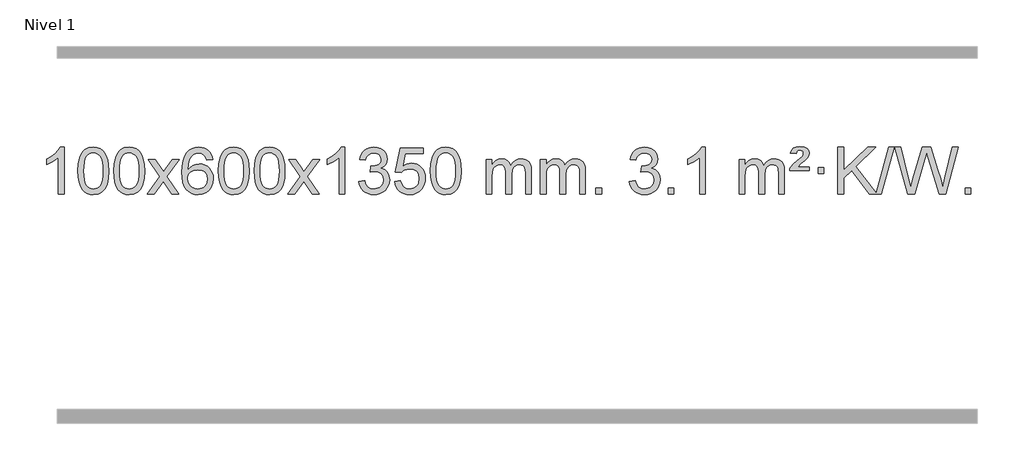
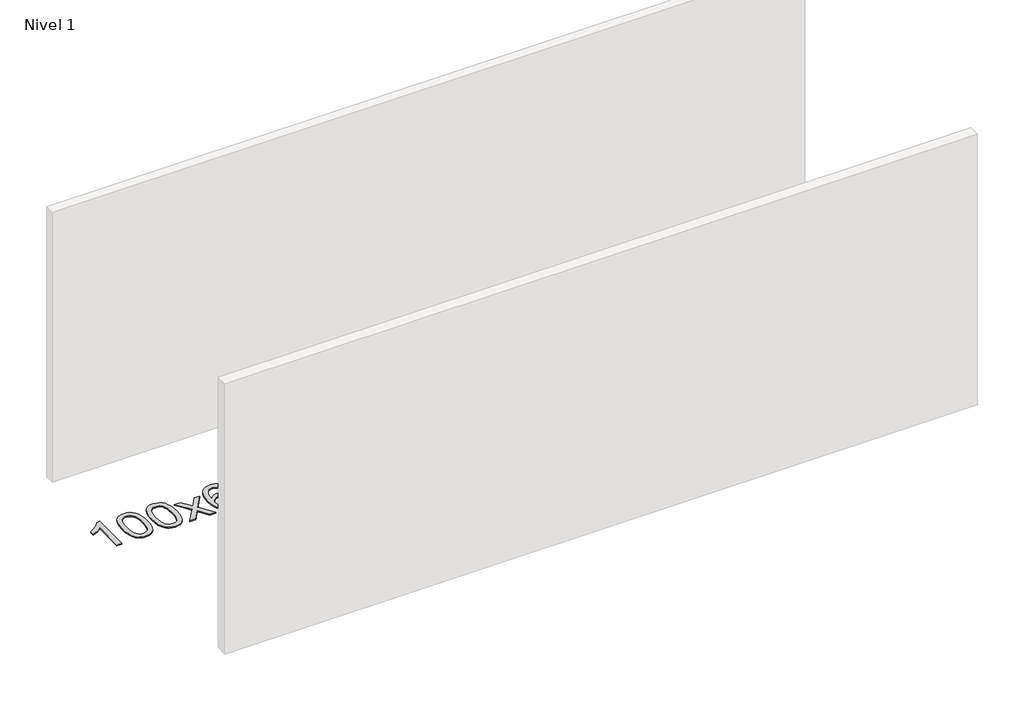
# One storey, part 4 of 9: 1 proxy.
"""IFC4 building model written with IfcOpenShell, lengths in millimetres."""

from ifc_helpers import new_model, si_unit, origin, origin_with_axes, place, context, project, spatial, polyline, outline, extrude, element, save

model = new_model("IFC4")

# Units and contexts
model_context = context("Model", 3, world=origin())
ifc_project = project(units=[si_unit("LENGTHUNIT", "METRE", prefix="MILLI")], contexts=[model_context])

# Site, building, storey
site = spatial("IfcSite", under=ifc_project)
building = spatial("IfcBuilding", under=site)
storey = spatial("IfcBuildingStorey", under=building, Name="Nivel 1", Elevation=0.0)

# Proxy
placement = place(None, origin())
element("IfcBuildingElementProxy", 1, Name="Texto de modelo 1", ObjectType="Texto de modelo 1", at=placement, inside=storey, context=model_context, shape_type="SweptSolid", body=[
    extrude(outline(polyline([(-12973.1124343, -6416.579453), (-13023.3405894, -6416.579453), (-13023.3405894, -6103.4382987), (-13044.3098631, -6120.3976587), (-13070.9199941, -6137.3324932), (-13123.7968995, -6162.6918254), (-13123.7968995, -6115.2105225), (-13084.3476869, -6093.7507395), (-13050.1714496, -6068.219729), (-13023.2302248, -6041.0700378), (-13005.4860499, -6014.7542124), (-12973.1124343, -6014.7542124), (-12973.1124343, -6416.579453)])), origin_with_axes(), (0.0, 0.0, 1.0), 10.0),
    extrude(outline(polyline([(-12853.820566, -6218.9041943), (-12850.1294833, -6154.5861588), (-12839.0562353, -6103.2911459), (-12820.7111864, -6064.2343407), (-12808.8531234, -6049.0009605), (-12795.2047014, -6036.6309284), (-12779.7199351, -6027.0598651), (-12762.3528393, -6020.2233914), (-12721.9716589, -6014.7542124), (-12691.0205204, -6017.991574), (-12663.3067434, -6027.7036586), (-12640.1301777, -6043.5103217), (-12622.790673, -6065.0314184), (-12609.694074, -6092.0830078), (-12599.2462253, -6124.4811488), (-12592.4036202, -6165.6226186), (-12590.1227518, -6218.9041943), (-12593.7770463, -6282.8543477), (-12604.7399298, -6334.0267333), (-12622.974614, -6373.1203266), (-12634.8050858, -6388.3996922), (-12648.4443108, -6400.8341036), (-12663.9474712, -6410.4695462), (-12681.3697494, -6417.3520052), (-12721.9716589, -6422.8579724), (-12749.636385, -6420.4667394), (-12774.1618513, -6413.2930405), (-12795.548058, -6401.3368757), (-12813.7950049, -6384.5982449), (-12831.3061879, -6354.3399508), (-12843.8141757, -6316.6381776), (-12851.3189684, -6271.4929255), (-12853.820566, -6218.9041943)]), holes=[polyline([(-12803.5924109, -6218.8060924), (-12802.1208829, -6262.4706195), (-12797.706299, -6297.8148822), (-12790.3486591, -6324.8388804), (-12780.0479632, -6343.5426142), (-12767.5890263, -6356.2682656), (-12753.7566633, -6365.3580165), (-12738.5508742, -6370.8118671), (-12721.9716589, -6372.6298173), (-12705.3924437, -6370.8057357), (-12690.1866545, -6365.3334911), (-12676.3542915, -6356.2130833), (-12663.8953546, -6343.4445124), (-12653.5946588, -6324.7101217), (-12646.2370188, -6297.6922549), (-12641.8224349, -6262.3909118), (-12640.3509069, -6218.8060924), (-12641.773384, -6176.2973278), (-12646.0408151, -6141.5753989), (-12653.1532004, -6114.6403055), (-12663.1105397, -6095.4920476), (-12675.3610101, -6082.1440625), (-12689.3527887, -6072.6097875), (-12705.0858753, -6066.8892225), (-12722.5602701, -6064.9823675), (-12739.0536462, -6066.6623619), (-12754.001918, -6071.7023452), (-12767.4050853, -6080.1023175), (-12779.2631483, -6091.8622786), (-12789.9072007, -6112.708925), (-12797.5100953, -6140.8151094), (-12802.071832, -6176.1808319), (-12803.5924109, -6218.8060924)])]), origin_with_axes(), (0.0, 0.0, 1.0), 10.0),
    extrude(outline(polyline([(-12546.1731162, -6218.9041943), (-12542.4820335, -6154.5861588), (-12531.4087854, -6103.2911459), (-12513.0637366, -6064.2343407), (-12501.2056736, -6049.0009605), (-12487.5572516, -6036.6309284), (-12472.0724853, -6027.0598651), (-12454.7053894, -6020.2233914), (-12414.3242091, -6014.7542124), (-12383.3730706, -6017.991574), (-12355.6592936, -6027.7036586), (-12332.4827279, -6043.5103217), (-12315.1432232, -6065.0314184), (-12302.0466242, -6092.0830078), (-12291.5987755, -6124.4811488), (-12284.7561704, -6165.6226186), (-12282.475302, -6218.9041943), (-12286.1295965, -6282.8543477), (-12297.09248, -6334.0267333), (-12315.3271642, -6373.1203266), (-12327.157636, -6388.3996922), (-12340.796861, -6400.8341036), (-12356.3000214, -6410.4695462), (-12373.7222996, -6417.3520052), (-12414.3242091, -6422.8579724), (-12441.9889351, -6420.4667394), (-12466.5144015, -6413.2930405), (-12487.9006081, -6401.3368757), (-12506.1475551, -6384.5982449), (-12523.6587381, -6354.3399508), (-12536.1667259, -6316.6381776), (-12543.6715186, -6271.4929255), (-12546.1731162, -6218.9041943)]), holes=[polyline([(-12495.9449611, -6218.8060924), (-12494.4734331, -6262.4706195), (-12490.0588492, -6297.8148822), (-12482.7012093, -6324.8388804), (-12472.4005134, -6343.5426142), (-12459.9415765, -6356.2682656), (-12446.1092135, -6365.3580165), (-12430.9034243, -6370.8118671), (-12414.3242091, -6372.6298173), (-12397.7449938, -6370.8057357), (-12382.5392047, -6365.3334911), (-12368.7068417, -6356.2130833), (-12356.2479048, -6343.4445124), (-12345.9472089, -6324.7101217), (-12338.589569, -6297.6922549), (-12334.1749851, -6262.3909118), (-12332.7034571, -6218.8060924), (-12334.1259341, -6176.2973278), (-12338.3933653, -6141.5753989), (-12345.5057505, -6114.6403055), (-12355.4630899, -6095.4920476), (-12367.7135603, -6082.1440625), (-12381.7053388, -6072.6097875), (-12397.4384255, -6066.8892225), (-12414.9128203, -6064.9823675), (-12431.4061964, -6066.6623619), (-12446.3544681, -6071.7023452), (-12459.7576355, -6080.1023175), (-12471.6156985, -6091.8622786), (-12482.2597509, -6112.708925), (-12489.8626454, -6140.8151094), (-12494.4243822, -6176.1808319), (-12495.9449611, -6218.8060924)])]), origin_with_axes(), (0.0, 0.0, 1.0), 10.0),
    extrude(outline(polyline([(-12257.3612245, -6416.579453), (-12150.0377838, -6268.2494325), (-12251.0827051, -6121.4890419), (-12190.651956, -6121.4890419), (-12141.8953289, -6192.122385), (-12119.1356962, -6225.4770192), (-12099.4172212, -6198.2047007), (-12043.8915654, -6121.4890419), (-11983.4608163, -6121.4890419), (-12089.6070347, -6268.2494325), (-11987.384891, -6416.579453), (-12047.81564, -6416.579453), (-12109.3255096, -6327.4048574), (-12120.6072241, -6311.1199477), (-12196.9304754, -6416.579453), (-12257.3612245, -6416.579453)])), origin_with_axes(), (0.0, 0.0, 1.0), 10.0),
    extrude(outline(polyline([(-11698.5729993, -6121.4890419), (-11748.8011543, -6127.7675613), (-11756.8945582, -6102.874213), (-11767.8329162, -6085.8780648), (-11790.6170745, -6070.2062918), (-11818.1591732, -6064.9823675), (-11841.5074171, -6068.0235253), (-11863.482235, -6077.1469988), (-11882.3545813, -6096.3627017), (-11897.7688369, -6122.8134171), (-11908.1798974, -6160.227016), (-11912.0426583, -6212.3313693), (-11891.8949877, -6188.8237098), (-11867.7496661, -6172.2567573), (-11840.9555941, -6162.434308), (-11812.8616724, -6159.1601582), (-11788.7286136, -6161.398107), (-11766.4594901, -6168.1119534), (-11746.0543021, -6179.3016975), (-11727.5130496, -6194.9673391), (-11712.1049253, -6214.1769106), (-11701.0991223, -6235.9984443), (-11694.4956405, -6260.4319401), (-11692.2944799, -6287.4773982), (-11696.4392837, -6323.4439945), (-11708.8736951, -6356.786366), (-11728.5676446, -6385.0642287), (-11754.4910625, -6405.8372987), (-11785.4667265, -6418.602804), (-11820.3174142, -6422.8579724), (-11850.2599429, -6420.0375437), (-11877.3023353, -6411.5762579), (-11901.4445912, -6397.4741147), (-11922.6867107, -6377.7311143), (-11940.0047557, -6351.5133908), (-11952.3747877, -6317.9870783), (-11959.796807, -6277.1521768), (-11962.2708134, -6229.0086864), (-11959.5239612, -6175.0342663), (-11951.2834045, -6128.9693092), (-11937.5491433, -6090.8138149), (-11918.3211777, -6060.5677835), (-11897.4806627, -6040.5243462), (-11873.316947, -6026.2076052), (-11845.8300306, -6017.6175606), (-11815.0199135, -6014.7542124), (-11791.8862673, -6016.5261773), (-11770.9476505, -6021.8420722), (-11752.2040628, -6030.7018969), (-11735.6555044, -6043.1056515), (-11721.749565, -6058.6364031), (-11710.9338343, -6076.8772186), (-11703.2083124, -6097.8280983), (-11698.5729993, -6121.4890419)]), holes=[polyline([(-11912.0426583, -6286.6925832), (-11909.1363906, -6308.9494439), (-11900.4175873, -6330.2007605), (-11886.8795299, -6348.472233), (-11869.5154997, -6361.7895612), (-11848.5584887, -6369.9197533), (-11824.2414888, -6372.6298173), (-11791.0953211, -6367.0134855), (-11777.1801846, -6359.9930708), (-11765.0370131, -6350.1644901), (-11755.1869726, -6337.9262824), (-11748.1512295, -6323.6769865), (-11742.522635, -6289.1451299), (-11748.0776531, -6255.9989621), (-11755.0214257, -6242.3781312), (-11764.7427075, -6230.725469), (-11776.9226672, -6221.3904634), (-11791.2424739, -6214.7226022), (-11826.301628, -6209.3883133), (-11859.3987448, -6214.7226022), (-11887.0757336, -6230.725469), (-11897.9987632, -6242.2248471), (-11905.8009272, -6255.3858254), (-11910.4822255, -6270.2084042), (-11912.0426583, -6286.6925832)])]), origin_with_axes(), (0.0, 0.0, 1.0), 10.0),
    extrude(outline(polyline([(-11648.3448442, -6218.9041943), (-11644.6537615, -6154.5861588), (-11633.5805135, -6103.2911459), (-11615.2354646, -6064.2343407), (-11603.3774017, -6049.0009605), (-11589.7289796, -6036.6309284), (-11574.2442133, -6027.0598651), (-11556.8771175, -6020.2233914), (-11516.4959371, -6014.7542124), (-11485.5447986, -6017.991574), (-11457.8310216, -6027.7036586), (-11434.6544559, -6043.5103217), (-11417.3149512, -6065.0314184), (-11404.2183522, -6092.0830078), (-11393.7705035, -6124.4811488), (-11386.9278984, -6165.6226186), (-11384.6470301, -6218.9041943), (-11388.3013245, -6282.8543477), (-11399.264208, -6334.0267333), (-11417.4988922, -6373.1203266), (-11429.3293641, -6388.3996922), (-11442.968589, -6400.8341036), (-11458.4717494, -6410.4695462), (-11475.8940276, -6417.3520052), (-11516.4959371, -6422.8579724), (-11544.1606632, -6420.4667394), (-11568.6861295, -6413.2930405), (-11590.0723362, -6401.3368757), (-11608.3192831, -6384.5982449), (-11625.8304661, -6354.3399508), (-11638.3384539, -6316.6381776), (-11645.8432466, -6271.4929255), (-11648.3448442, -6218.9041943)]), holes=[polyline([(-11598.1166891, -6218.8060924), (-11596.6451611, -6262.4706195), (-11592.2305772, -6297.8148822), (-11584.8729373, -6324.8388804), (-11574.5722414, -6343.5426142), (-11562.1133045, -6356.2682656), (-11548.2809415, -6365.3580165), (-11533.0751524, -6370.8118671), (-11516.4959371, -6372.6298173), (-11499.9167219, -6370.8057357), (-11484.7109327, -6365.3334911), (-11470.8785697, -6356.2130833), (-11458.4196328, -6343.4445124), (-11448.118937, -6324.7101217), (-11440.7612971, -6297.6922549), (-11436.3467131, -6262.3909118), (-11434.8751851, -6218.8060924), (-11436.2976622, -6176.2973278), (-11440.5650933, -6141.5753989), (-11447.6774786, -6114.6403055), (-11457.6348179, -6095.4920476), (-11469.8852883, -6082.1440625), (-11483.8770669, -6072.6097875), (-11499.6101535, -6066.8892225), (-11517.0845483, -6064.9823675), (-11533.5779244, -6066.6623619), (-11548.5261962, -6071.7023452), (-11561.9293635, -6080.1023175), (-11573.7874265, -6091.8622786), (-11584.4314789, -6112.708925), (-11592.0343735, -6140.8151094), (-11596.5961102, -6176.1808319), (-11598.1166891, -6218.8060924)])]), origin_with_axes(), (0.0, 0.0, 1.0), 10.0),
    extrude(outline(polyline([(-11340.6973944, -6218.9041943), (-11337.0063117, -6154.5861588), (-11325.9330636, -6103.2911459), (-11307.5880148, -6064.2343407), (-11295.7299518, -6049.0009605), (-11282.0815298, -6036.6309284), (-11266.5967635, -6027.0598651), (-11249.2296676, -6020.2233914), (-11208.8484873, -6014.7542124), (-11177.8973488, -6017.991574), (-11150.1835718, -6027.7036586), (-11127.0070061, -6043.5103217), (-11109.6675014, -6065.0314184), (-11096.5709024, -6092.0830078), (-11086.1230537, -6124.4811488), (-11079.2804486, -6165.6226186), (-11076.9995802, -6218.9041943), (-11080.6538747, -6282.8543477), (-11091.6167582, -6334.0267333), (-11109.8514424, -6373.1203266), (-11121.6819142, -6388.3996922), (-11135.3211392, -6400.8341036), (-11150.8242996, -6410.4695462), (-11168.2465778, -6417.3520052), (-11208.8484873, -6422.8579724), (-11236.5132133, -6420.4667394), (-11261.0386797, -6413.2930405), (-11282.4248863, -6401.3368757), (-11300.6718333, -6384.5982449), (-11318.1830163, -6354.3399508), (-11330.6910041, -6316.6381776), (-11338.1957968, -6271.4929255), (-11340.6973944, -6218.9041943)]), holes=[polyline([(-11290.4692393, -6218.8060924), (-11288.9977113, -6262.4706195), (-11284.5831274, -6297.8148822), (-11277.2254875, -6324.8388804), (-11266.9247916, -6343.5426142), (-11254.4658547, -6356.2682656), (-11240.6334917, -6365.3580165), (-11225.4277025, -6370.8118671), (-11208.8484873, -6372.6298173), (-11192.269272, -6370.8057357), (-11177.0634829, -6365.3334911), (-11163.2311199, -6356.2130833), (-11150.772183, -6343.4445124), (-11140.4714871, -6324.7101217), (-11133.1138472, -6297.6922549), (-11128.6992633, -6262.3909118), (-11127.2277353, -6218.8060924), (-11128.6502123, -6176.2973278), (-11132.9176435, -6141.5753989), (-11140.0300287, -6114.6403055), (-11149.9873681, -6095.4920476), (-11162.2378385, -6082.1440625), (-11176.2296171, -6072.6097875), (-11191.9627037, -6066.8892225), (-11209.4370985, -6064.9823675), (-11225.9304746, -6066.6623619), (-11240.8787463, -6071.7023452), (-11254.2819137, -6080.1023175), (-11266.1399767, -6091.8622786), (-11276.7840291, -6112.708925), (-11284.3869236, -6140.8151094), (-11288.9486604, -6176.1808319), (-11290.4692393, -6218.8060924)])]), origin_with_axes(), (0.0, 0.0, 1.0), 10.0),
    extrude(outline(polyline([(-11051.8855027, -6416.579453), (-10944.562062, -6268.2494325), (-11045.6069833, -6121.4890419), (-10985.1762342, -6121.4890419), (-10936.4196071, -6192.122385), (-10913.6599744, -6225.4770192), (-10893.9414994, -6198.2047007), (-10838.4158436, -6121.4890419), (-10777.9850945, -6121.4890419), (-10884.1313129, -6268.2494325), (-10781.9091692, -6416.579453), (-10842.3399182, -6416.579453), (-10903.8497878, -6327.4048574), (-10915.1315023, -6311.1199477), (-10991.4547536, -6416.579453), (-11051.8855027, -6416.579453)])), origin_with_axes(), (0.0, 0.0, 1.0), 10.0),
    extrude(outline(polyline([(-10562.1609907, -6416.579453), (-10612.3891458, -6416.579453), (-10612.3891458, -6103.4382987), (-10633.3584195, -6120.3976587), (-10659.9685505, -6137.3324932), (-10712.8454559, -6162.6918254), (-10712.8454559, -6115.2105225), (-10673.3962433, -6093.7507395), (-10639.220006, -6068.219729), (-10612.2787812, -6041.0700378), (-10594.5346063, -6014.7542124), (-10562.1609907, -6014.7542124), (-10562.1609907, -6416.579453)])), origin_with_axes(), (0.0, 0.0, 1.0), 10.0),
    extrude(outline(polyline([(-10442.8691224, -6309.8446235), (-10392.6409673, -6303.5661041), (-10381.396041, -6335.1303793), (-10364.9271904, -6356.4430095), (-10342.425075, -6368.5831154), (-10313.0803545, -6372.6298173), (-10278.6465998, -6367.0625364), (-10264.3727783, -6360.1034354), (-10252.0609942, -6350.3606939), (-10235.0648461, -6325.4428201), (-10229.3994633, -6295.2274455), (-10235.0157951, -6266.5449126), (-10251.8647905, -6243.2825078), (-10277.3712755, -6227.8682522), (-10308.9600762, -6222.730167), (-10344.1786458, -6228.2238715), (-10338.5868395, -6177.9957164), (-10330.5424865, -6178.5843276), (-10300.4497393, -6174.979084), (-10273.5453028, -6164.1633534), (-10262.4720547, -6155.9841103), (-10254.5625918, -6145.8673555), (-10249.8169141, -6133.8130888), (-10248.2350215, -6119.8213102), (-10252.8212837, -6098.1285352), (-10266.5800703, -6080.5315131), (-10287.5738695, -6068.8696539), (-10313.8651694, -6064.9823675), (-10340.2055203, -6068.9064421), (-10361.7388797, -6080.6786659), (-10377.4597037, -6100.299039), (-10386.3624479, -6127.7675613), (-10436.590603, -6121.4890419), (-10430.6370461, -6097.5092672), (-10421.8017468, -6076.3867093), (-10410.0847053, -6058.1213683), (-10395.4859214, -6042.713244), (-10378.4652478, -6030.4811677), (-10359.4825368, -6021.7439703), (-10338.5377886, -6016.5016519), (-10315.631003, -6014.7542124), (-10284.0544651, -6018.2000404), (-10255.0531011, -6028.5375245), (-10230.6012112, -6044.8469596), (-10212.6730953, -6066.2086408), (-10201.6734236, -6090.8199463), (-10198.0068664, -6116.8782543), (-10201.4894826, -6141.1584659), (-10211.9373313, -6163.1823347), (-10229.2032596, -6181.9443165), (-10253.1401148, -6196.4388671), (-10221.6984669, -6209.1430586), (-10198.3992739, -6230.77452), (-10183.9782997, -6260.1560286), (-10179.1713083, -6296.1103623), (-10181.574804, -6321.5923218), (-10188.7852911, -6345.0631931), (-10200.8027696, -6366.5229762), (-10217.6272395, -6385.971671), (-10238.124398, -6402.1094278), (-10261.1599423, -6413.636397), (-10286.7338723, -6420.5525785), (-10314.8461881, -6422.8579724), (-10340.2545712, -6420.8898037), (-10363.4066114, -6414.9852977), (-10384.3023088, -6405.1444543), (-10402.9416632, -6391.3672736), (-10418.5705166, -6374.4630959), (-10430.434711, -6355.2412617), (-10438.5342462, -6333.7017708), (-10442.8691224, -6309.8446235)])), origin_with_axes(), (0.0, 0.0, 1.0), 10.0),
    extrude(outline(polyline([(-10135.2216726, -6309.8446235), (-10084.9935175, -6303.5661041), (-10075.7719421, -6333.7201649), (-10059.6832362, -6355.3148381), (-10036.8009761, -6368.3010725), (-10007.1987382, -6372.6298173), (-9988.0688745, -6371.1245668), (-9971.1953537, -6366.6088153), (-9956.5781757, -6359.0825628), (-9944.2173407, -6348.5458094), (-9934.38876, -6335.519721), (-9927.3683453, -6320.5254641), (-9921.7520135, -6284.6324441), (-9927.012726, -6250.8363514), (-9933.5886167, -6236.9181493), (-9942.7948636, -6224.9865099), (-9954.6621237, -6215.4154467), (-9969.2210536, -6208.5789729), (-10006.4139233, -6203.1097939), (-10030.7799741, -6205.2925604), (-10050.5107118, -6211.8408599), (-10066.2683239, -6221.8717757), (-10078.7149981, -6234.5023908), (-10128.9431532, -6228.2238715), (-10084.9935175, -6021.0327318), (-9890.3594166, -6021.0327318), (-9890.3594166, -6071.2608869), (-10044.3793452, -6071.2608869), (-10065.8636537, -6181.919791), (-10048.1378729, -6169.2155994), (-10029.9828965, -6160.1411769), (-10011.3987244, -6154.6965234), (-9992.3853566, -6152.8816388), (-9967.9242696, -6155.1318504), (-9945.4558767, -6161.882485), (-9924.980178, -6173.1335427), (-9906.4971734, -6188.8850234), (-9891.1963481, -6208.1743027), (-9880.2671872, -6230.038756), (-9873.7096906, -6254.4783832), (-9871.5238584, -6281.4931844), (-9873.4920271, -6307.5147042), (-9879.3965331, -6331.7213394), (-9889.2373765, -6354.1130902), (-9903.0145572, -6374.6899565), (-9923.8857291, -6395.7634634), (-9948.2395172, -6410.8159684), (-9976.0759215, -6419.8474714), (-10007.394942, -6422.8579724), (-10033.3152942, -6420.9235262), (-10056.7279175, -6415.1201877), (-10077.6328119, -6405.447957), (-10096.0299773, -6391.9068338), (-10111.336934, -6375.1712688), (-10122.9712021, -6355.915712), (-10130.9327816, -6334.1401636), (-10135.2216726, -6309.8446235)])), origin_with_axes(), (0.0, 0.0, 1.0), 10.0),
    extrude(outline(polyline([(-9827.5742227, -6218.9041943), (-9823.8831401, -6154.5861588), (-9812.809892, -6103.2911459), (-9794.4648432, -6064.2343407), (-9782.6067802, -6049.0009605), (-9768.9583582, -6036.6309284), (-9753.4735919, -6027.0598651), (-9736.106496, -6020.2233914), (-9695.7253157, -6014.7542124), (-9664.7741771, -6017.991574), (-9637.0604002, -6027.7036586), (-9613.8838345, -6043.5103217), (-9596.5443298, -6065.0314184), (-9583.4477307, -6092.0830078), (-9572.9998821, -6124.4811488), (-9566.157277, -6165.6226186), (-9563.8764086, -6218.9041943), (-9567.5307031, -6282.8543477), (-9578.4935865, -6334.0267333), (-9596.7282708, -6373.1203266), (-9608.5587426, -6388.3996922), (-9622.1979676, -6400.8341036), (-9637.701128, -6410.4695462), (-9655.1234061, -6417.3520052), (-9695.7253157, -6422.8579724), (-9723.3900417, -6420.4667394), (-9747.915508, -6413.2930405), (-9769.3017147, -6401.3368757), (-9787.5486617, -6384.5982449), (-9805.0598446, -6354.3399508), (-9817.5678325, -6316.6381776), (-9825.0726252, -6271.4929255), (-9827.5742227, -6218.9041943)]), holes=[polyline([(-9777.3460677, -6218.8060924), (-9775.8745397, -6262.4706195), (-9771.4599557, -6297.8148822), (-9764.1023158, -6324.8388804), (-9753.80162, -6343.5426142), (-9741.3426831, -6356.2682656), (-9727.51032, -6365.3580165), (-9712.3045309, -6370.8118671), (-9695.7253157, -6372.6298173), (-9679.1461004, -6370.8057357), (-9663.9403113, -6365.3334911), (-9650.1079483, -6356.2130833), (-9637.6490114, -6343.4445124), (-9627.3483155, -6324.7101217), (-9619.9906756, -6297.6922549), (-9615.5760916, -6262.3909118), (-9614.1045637, -6218.8060924), (-9615.5270407, -6176.2973278), (-9619.7944719, -6141.5753989), (-9626.9068571, -6114.6403055), (-9636.8641964, -6095.4920476), (-9649.1146669, -6082.1440625), (-9663.1064454, -6072.6097875), (-9678.8395321, -6066.8892225), (-9696.3139269, -6064.9823675), (-9712.807303, -6066.6623619), (-9727.7555747, -6071.7023452), (-9741.1587421, -6080.1023175), (-9753.016805, -6091.8622786), (-9763.6608574, -6112.708925), (-9771.263752, -6140.8151094), (-9775.8254887, -6176.1808319), (-9777.3460677, -6218.8060924)])]), origin_with_axes(), (0.0, 0.0, 1.0), 10.0),
    extrude(outline(polyline([(-9350.4067495, -6416.579453), (-9350.4067495, -6121.4890419), (-9300.1785945, -6121.4890419), (-9300.1785945, -6170.0494653), (-9285.0709072, -6147.7435537), (-9265.6467378, -6130.2691589), (-9242.568274, -6118.9751816), (-9216.4977033, -6115.2105225), (-9188.5631971, -6119.048758), (-9166.1714463, -6130.5634645), (-9149.4450783, -6148.9943524), (-9138.5067203, -6173.5811324), (-9120.1984597, -6148.0439906), (-9099.3150251, -6129.803175), (-9075.8564165, -6118.8586857), (-9049.822634, -6115.2105225), (-9029.7148173, -6116.7280358), (-9012.0656786, -6121.2805755), (-8996.8752178, -6128.8681416), (-8984.1434351, -6139.4907342), (-8974.0787969, -6153.2709806), (-8966.8897696, -6170.3315082), (-8962.5763532, -6190.6723168), (-8961.1385477, -6214.2934066), (-8961.1385477, -6416.579453), (-9011.3667028, -6416.579453), (-9011.3667028, -6235.875817), (-9012.5316624, -6210.8230531), (-9016.0265414, -6193.9372695), (-9022.5748409, -6182.3735121), (-9032.9000622, -6173.2868268), (-9046.1806022, -6167.4007149), (-9061.5948578, -6165.4386776), (-9088.8058628, -6170.4663982), (-9110.9891471, -6185.54956), (-9119.5945201, -6197.1194488), (-9125.7412151, -6211.7182326), (-9130.6585711, -6250.0024856), (-9130.6585711, -6416.579453), (-9180.8867261, -6416.579453), (-9180.8867261, -6230.2840106), (-9183.7929939, -6201.8835206), (-9192.5117972, -6181.6254854), (-9207.8524764, -6169.4853796), (-9230.6243719, -6165.4386776), (-9249.9749648, -6168.1364789), (-9267.8049789, -6176.2298828), (-9282.5202587, -6189.5226856), (-9292.526649, -6207.8186835), (-9298.2656081, -6233.2025411), (-9300.1785945, -6267.7589232), (-9300.1785945, -6416.579453), (-9350.4067495, -6416.579453)])), origin_with_axes(), (0.0, 0.0, 1.0), 10.0),
    extrude(outline(polyline([(-8885.7963151, -6416.579453), (-8885.7963151, -6121.4890419), (-8835.56816, -6121.4890419), (-8835.56816, -6170.0494653), (-8820.4604727, -6147.7435537), (-8801.0363034, -6130.2691589), (-8777.9578396, -6118.9751816), (-8751.8872688, -6115.2105225), (-8723.9527627, -6119.048758), (-8701.5610119, -6130.5634645), (-8684.8346439, -6148.9943524), (-8673.8962859, -6173.5811324), (-8655.5880252, -6148.0439906), (-8634.7045906, -6129.803175), (-8611.2459821, -6118.8586857), (-8585.2121996, -6115.2105225), (-8565.1043828, -6116.7280358), (-8547.4552441, -6121.2805755), (-8532.2647834, -6128.8681416), (-8519.5330007, -6139.4907342), (-8509.4683624, -6153.2709806), (-8502.2793351, -6170.3315082), (-8497.9659187, -6190.6723168), (-8496.5281133, -6214.2934066), (-8496.5281133, -6416.579453), (-8546.7562683, -6416.579453), (-8546.7562683, -6235.875817), (-8547.921228, -6210.8230531), (-8551.4161069, -6193.9372695), (-8557.9644064, -6182.3735121), (-8568.2896278, -6173.2868268), (-8581.5701678, -6167.4007149), (-8596.9844234, -6165.4386776), (-8624.1954283, -6170.4663982), (-8646.3787126, -6185.54956), (-8654.9840856, -6197.1194488), (-8661.1307806, -6211.7182326), (-8666.0481366, -6250.0024856), (-8666.0481366, -6416.579453), (-8716.2762917, -6416.579453), (-8716.2762917, -6230.2840106), (-8719.1825595, -6201.8835206), (-8727.9013628, -6181.6254854), (-8743.242042, -6169.4853796), (-8766.0139375, -6165.4386776), (-8785.3645304, -6168.1364789), (-8803.1945444, -6176.2298828), (-8817.9098242, -6189.5226856), (-8827.9162145, -6207.8186835), (-8833.6551736, -6233.2025411), (-8835.56816, -6267.7589232), (-8835.56816, -6416.579453), (-8885.7963151, -6416.579453)])), origin_with_axes(), (0.0, 0.0, 1.0), 10.0),
    extrude(outline(polyline([(-8408.6288419, -6416.579453), (-8408.6288419, -6366.3512979), (-8358.4006868, -6366.3512979), (-8358.4006868, -6416.579453), (-8408.6288419, -6416.579453)])), origin_with_axes(), (0.0, 0.0, 1.0), 10.0),
    extrude(outline(polyline([(-8119.8169502, -6309.8446235), (-8069.5887951, -6303.5661041), (-8058.3438688, -6335.1303793), (-8041.8750181, -6356.4430095), (-8019.3729028, -6368.5831154), (-7990.0281823, -6372.6298173), (-7955.5944275, -6367.0625364), (-7941.3206061, -6360.1034354), (-7929.008822, -6350.3606939), (-7912.0126739, -6325.4428201), (-7906.3472911, -6295.2274455), (-7911.9636229, -6266.5449126), (-7928.8126183, -6243.2825078), (-7954.3191033, -6227.8682522), (-7985.9079039, -6222.730167), (-8021.1264736, -6228.2238715), (-8015.5346673, -6177.9957164), (-8007.4903143, -6178.5843276), (-7977.3975671, -6174.979084), (-7950.4931305, -6164.1633534), (-7939.4198825, -6155.9841103), (-7931.5104196, -6145.8673555), (-7926.7647419, -6133.8130888), (-7925.1828493, -6119.8213102), (-7929.7691115, -6098.1285352), (-7943.5278981, -6080.5315131), (-7964.5216973, -6068.8696539), (-7990.8129972, -6064.9823675), (-8017.1533481, -6068.9064421), (-8038.6867075, -6080.6786659), (-8054.4075314, -6100.299039), (-8063.3102757, -6127.7675613), (-8113.5384308, -6121.4890419), (-8107.5848739, -6097.5092672), (-8098.7495746, -6076.3867093), (-8087.0325331, -6058.1213683), (-8072.4337492, -6042.713244), (-8055.4130756, -6030.4811677), (-8036.4303646, -6021.7439703), (-8015.4856164, -6016.5016519), (-7992.5788308, -6014.7542124), (-7961.0022929, -6018.2000404), (-7932.0009289, -6028.5375245), (-7907.549039, -6044.8469596), (-7889.6209231, -6066.2086408), (-7878.6212514, -6090.8199463), (-7874.9546942, -6116.8782543), (-7878.4373104, -6141.1584659), (-7888.8851591, -6163.1823347), (-7906.1510874, -6181.9443165), (-7930.0879425, -6196.4388671), (-7898.6462947, -6209.1430586), (-7875.3471017, -6230.77452), (-7860.9261275, -6260.1560286), (-7856.119136, -6296.1103623), (-7858.5226318, -6321.5923218), (-7865.7331189, -6345.0631931), (-7877.7505974, -6366.5229762), (-7894.5750673, -6385.971671), (-7915.0722258, -6402.1094278), (-7938.10777, -6413.636397), (-7963.6817001, -6420.5525785), (-7991.7940159, -6422.8579724), (-8017.202399, -6420.8898037), (-8040.3544392, -6414.9852977), (-8061.2501366, -6405.1444543), (-8079.889491, -6391.3672736), (-8095.5183444, -6374.4630959), (-8107.3825388, -6355.2412617), (-8115.482074, -6333.7017708), (-8119.8169502, -6309.8446235)])), origin_with_axes(), (0.0, 0.0, 1.0), 10.0),
    extrude(outline(polyline([(-7787.0554228, -6416.579453), (-7787.0554228, -6366.3512979), (-7736.8272677, -6366.3512979), (-7736.8272677, -6416.579453), (-7787.0554228, -6416.579453)])), origin_with_axes(), (0.0, 0.0, 1.0), 10.0),
    extrude(outline(polyline([(-7466.8509342, -6416.579453), (-7517.0790893, -6416.579453), (-7517.0790893, -6103.4382987), (-7538.048363, -6120.3976587), (-7564.658494, -6137.3324932), (-7617.5353994, -6162.6918254), (-7617.5353994, -6115.2105225), (-7578.0861868, -6093.7507395), (-7543.9099495, -6068.219729), (-7516.9687247, -6041.0700378), (-7499.2245498, -6014.7542124), (-7466.8509342, -6014.7542124), (-7466.8509342, -6416.579453)])), origin_with_axes(), (0.0, 0.0, 1.0), 10.0),
    extrude(outline(polyline([(-7178.0390425, -6416.579453), (-7178.0390425, -6121.4890419), (-7127.8108875, -6121.4890419), (-7127.8108875, -6170.0494653), (-7112.7032002, -6147.7435537), (-7093.2790309, -6130.2691589), (-7070.200567, -6118.9751816), (-7044.1299963, -6115.2105225), (-7016.1954901, -6119.048758), (-6993.8037394, -6130.5634645), (-6977.0773713, -6148.9943524), (-6966.1390133, -6173.5811324), (-6947.8307527, -6148.0439906), (-6926.9473181, -6129.803175), (-6903.4887095, -6118.8586857), (-6877.454927, -6115.2105225), (-6857.3471103, -6116.7280358), (-6839.6979716, -6121.2805755), (-6824.5075109, -6128.8681416), (-6811.7757281, -6139.4907342), (-6801.7110899, -6153.2709806), (-6794.5220626, -6170.3315082), (-6790.2086462, -6190.6723168), (-6788.7708407, -6214.2934066), (-6788.7708407, -6416.579453), (-6838.9989958, -6416.579453), (-6838.9989958, -6235.875817), (-6840.1639554, -6210.8230531), (-6843.6588344, -6193.9372695), (-6850.2071339, -6182.3735121), (-6860.5323552, -6173.2868268), (-6873.8128953, -6167.4007149), (-6889.2271509, -6165.4386776), (-6916.4381558, -6170.4663982), (-6938.6214401, -6185.54956), (-6947.2268131, -6197.1194488), (-6953.3735081, -6211.7182326), (-6958.2908641, -6250.0024856), (-6958.2908641, -6416.579453), (-7008.5190192, -6416.579453), (-7008.5190192, -6230.2840106), (-7011.4252869, -6201.8835206), (-7020.1440902, -6181.6254854), (-7035.4847694, -6169.4853796), (-7058.2566649, -6165.4386776), (-7077.6072579, -6168.1364789), (-7095.4372719, -6176.2298828), (-7110.1525517, -6189.5226856), (-7120.158942, -6207.8186835), (-7125.8979011, -6233.2025411), (-7127.8108875, -6267.7589232), (-7127.8108875, -6416.579453), (-7178.0390425, -6416.579453)])), origin_with_axes(), (0.0, 0.0, 1.0), 10.0),
    extrude(outline(polyline([(-6744.821205, -6215.6668327), (-6740.9952323, -6199.8479069), (-6732.6565737, -6183.9799302), (-6711.1477397, -6158.8413272), (-6679.1910571, -6131.1030247), (-6635.0452177, -6093.726214), (-6627.908307, -6082.1992448), (-6625.5293367, -6070.3779701), (-6627.4177976, -6058.2869152), (-6633.0831804, -6048.5012541), (-6642.4519085, -6042.026531), (-6655.4504057, -6039.8682899), (-6667.8848171, -6041.4869707), (-6676.7385104, -6046.343013), (-6683.1641826, -6055.8098431), (-6688.3145306, -6071.2608869), (-6738.5426856, -6064.9823675), (-6727.7024295, -6039.7701881), (-6711.0741633, -6022.2099542), (-6687.3089864, -6011.9092583), (-6655.0579982, -6008.475693), (-6619.2753428, -6012.6082341), (-6594.5291473, -6025.0058573), (-6580.108173, -6043.3386434), (-6575.3011816, -6065.2766731), (-6579.3969345, -6088.1834586), (-6591.6841932, -6109.8149199), (-6612.2120085, -6129.6314968), (-6648.6813769, -6157.6886303), (-6674.2859638, -6184.2742358), (-6575.3011816, -6184.2742358), (-6575.3011816, -6215.6668327), (-6744.821205, -6215.6668327)])), origin_with_axes(), (0.0, 0.0, 1.0), 10.0),
    extrude(outline(polyline([(-6499.958949, -6240.7809102), (-6499.958949, -6190.5527552), (-6449.730794, -6190.5527552), (-6449.730794, -6240.7809102), (-6499.958949, -6240.7809102)])), origin_with_axes(), (0.0, 0.0, 1.0), 10.0),
    extrude(outline(polyline([(-6059.089166, -6416.579453), (-6212.5204835, -6213.9009991), (-6280.2107706, -6278.4520265), (-6280.2107706, -6416.579453), (-6330.4389257, -6416.579453), (-6330.4389257, -6014.7542124), (-6280.2107706, -6014.7542124), (-6280.2107706, -6211.4484525), (-6074.1968533, -6014.7542124), (-6003.9559177, -6014.7542124), (-6176.9095063, -6179.9577537), (-6002.2558965, -6410.5349332), (-5890.9425687, -6014.7542124), (-5845.6195069, -6014.7542124), (-5958.6328559, -6416.579453), (-5997.6773983, -6416.579453), (-6003.9559177, -6416.579453), (-6059.089166, -6416.579453)])), origin_with_axes(), (0.0, 0.0, 1.0), 10.0),
    extrude(outline(polyline([(-5731.13463, -6416.579453), (-5840.7144137, -6014.7542124), (-5788.9166288, -6014.7542124), (-5725.34662, -6278.844434), (-5705.7262469, -6360.3670841), (-5684.7324477, -6288.2622131), (-5605.073733, -6014.7542124), (-5530.4182135, -6014.7542124), (-5472.5381129, -6213.0180823), (-5447.7428664, -6286.5944814), (-5429.471394, -6360.3670841), (-5410.4396321, -6281.1988788), (-5346.2810122, -6014.7542124), (-5294.4832272, -6014.7542124), (-5404.1611127, -6416.579453), (-5457.8228331, -6416.579453), (-5554.1588649, -6106.5775584), (-5567.5988205, -6063.3146358), (-5582.7065077, -6115.4067263), (-5670.5076772, -6416.579453), (-5731.13463, -6416.579453)])), origin_with_axes(), (0.0, 0.0, 1.0), 10.0),
    extrude(outline(polyline([(-5237.9765528, -6416.579453), (-5237.9765528, -6366.3512979), (-5187.7483977, -6366.3512979), (-5187.7483977, -6416.579453), (-5237.9765528, -6416.579453)])), origin_with_axes(), (0.0, 0.0, 1.0), 10.0),
])

save(model, "model.ifc")
